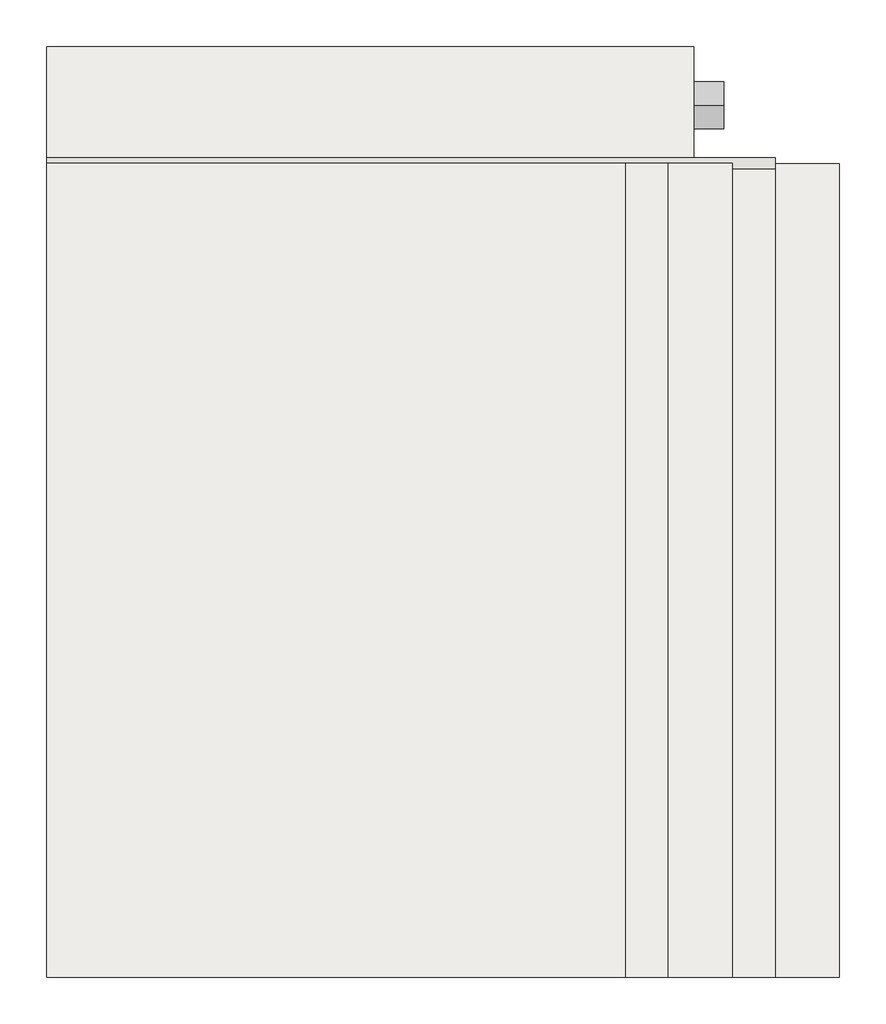
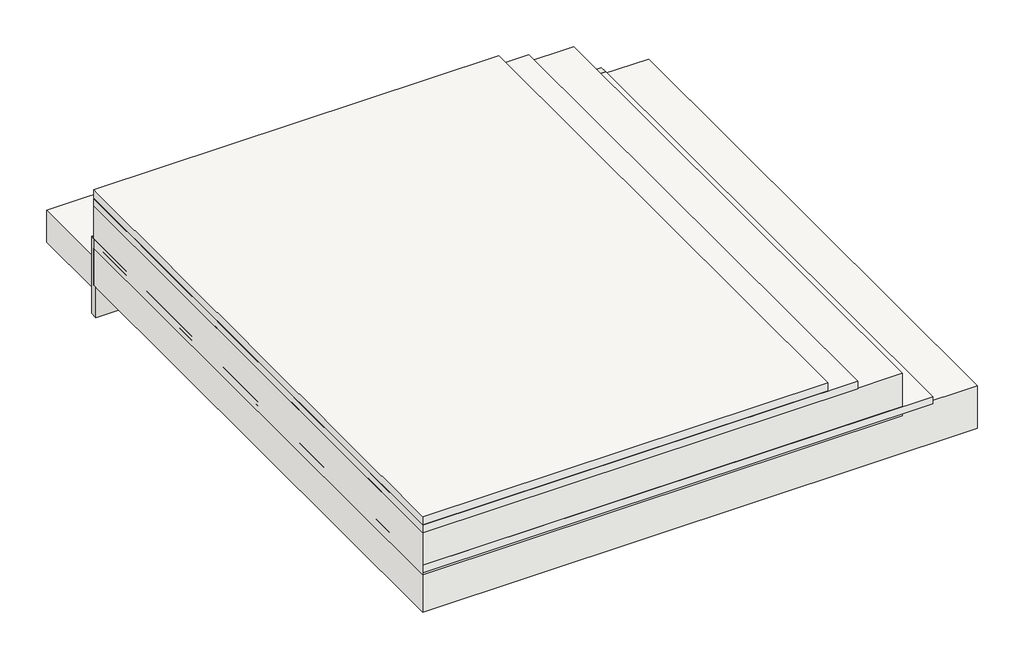
# One storey: 3 coverings, 3 slabs, 1 pipe segment, 1 wall.
"""IFC4 building model written with IfcOpenShell, lengths in millimetres."""

from ifc_helpers import new_model, si_unit, point, frame, frame_2d, origin, place, context, project, spatial, polyline, circle_curve, trimmed, segment, composite_curve, outline, extrude, faceted_brep, element, save

model = new_model("IFC4")

# Units and contexts
model_context = context("Model", 3, world=origin())
ifc_project = project(units=[si_unit("LENGTHUNIT", "METRE", prefix="MILLI")], contexts=[model_context])

# Site, building, storey
site = spatial("IfcSite", under=ifc_project)
building = spatial("IfcBuilding", under=site)
storey = spatial("IfcBuildingStorey", under=building, Elevation=0.0)

# Coverings
placement = place(None, origin())
element("IfcCovering", 1, at=placement, inside=storey, context=model_context, shape_type="SweptSolid", body=[
    extrude(outline(polyline([(-21757.8798684, 2744.7261759), (-18857.8798684, 2744.7261759), (-18857.8798684, -1055.2738241), (-21757.8798684, -1055.2738241), (-21757.8798684, 2744.7261759)])), frame((0.0, 0.0, 361.6801739), z_axis=(0.0, 0.0, 1.0), x_axis=(1.0, 0.0, 0.0)), (0.0, 0.0, 1.0), 52.0),
])
element("IfcCovering", 2, at=placement, inside=storey, context=model_context, shape_type="SweptSolid", body=[
    extrude(outline(polyline([(-21757.8798684, 2744.7261759), (-19057.8798684, 2744.7261759), (-19057.8798684, -1055.2738241), (-21757.8798684, -1055.2738241), (-21757.8798684, 2744.7261759)])), frame((0.0, 0.0, 418.6801739), z_axis=(0.0, 0.0, 1.0), x_axis=(1.0, 0.0, 0.0)), (0.0, 0.0, 1.0), 57.0),
])
element("IfcCovering", 3, at=placement, inside=storey, context=model_context, shape_type="SweptSolid", body=[
    extrude(outline(polyline([(-21757.8798684, 2744.7261759), (-18357.8798684, 2744.7261759), (-18357.8798684, -1055.2738241), (-21757.8798684, -1055.2738241), (-21757.8798684, 2744.7261759)])), frame((0.0, 0.0, 80.0), z_axis=(0.0, 0.0, 1.0), x_axis=(1.0, 0.0, 0.0)), (0.0, 0.0, 1.0), 52.0),
])

# Pipe segment
element("IfcPipeSegment", 4, at=placement, inside=storey, context=model_context, shape_type="SweptSolid", body=[
    extrude(outline(composite_curve([segment(trimmed(circle_curve(frame_2d((3016.2135579, -191.8392659)), 109.5375), [point((3125.7510579, -191.8392659))], [point((3016.2135579, -301.3767659))], False, "CARTESIAN"), True, "CONTINUOUS"), segment(trimmed(circle_curve(frame_2d((3016.2135579, -191.8392659)), 109.5375), [point((3016.2135579, -301.3767659))], [point((2906.6760579, -191.8392659))], False, "CARTESIAN"), True, "CONTINUOUS"), segment(trimmed(circle_curve(frame_2d((3016.2135579, -191.8392659)), 109.5375), [point((2906.6760579, -191.8392659))], [point((3016.2135579, -82.3017659))], False, "CARTESIAN"), True, "CONTINUOUS"), segment(trimmed(circle_curve(frame_2d((3016.2135579, -191.8392659)), 109.5375), [point((3016.2135579, -82.3017659))], [point((3125.7510579, -191.8392659))], False, "CARTESIAN"), True, "CONTINUOUS")], self_intersect=False)), frame((-18916.7646553, 0.0, 0.0), z_axis=(1.0, 0.0, 0.0), x_axis=(0.0, 1.0, 0.0)), (0.0, 0.0, 1.0), 320.0),
])

# Slabs
element("IfcSlab", 5, at=placement, inside=storey, context=model_context, shape_type="Brep", body=[
    faceted_brep([(-21757.8798684, 2743.4294305, -197.7158773), (-18357.8798684, 2743.4294305, -197.7158773), (-18057.8798684, 2743.4294305, -197.7158773), (-18057.8798684, -1053.8351339, -197.7158773), (-21757.8798684, -1053.8351339, -197.7158773), (-21757.8798684, 2719.7261759, -197.7158773), (-21757.8798684, 2743.4294305, 102.2841227), (-21757.8798684, -1053.8351339, 102.2841227), (-18057.8798684, -1053.8351339, 102.2841227), (-18057.8798684, 2743.4294305, 102.2841227), (-18357.8798684, 2743.4294305, 102.2841227), (-18557.8798684, 2743.4294305, 102.2841227), (-21757.8798684, 2743.4294305, 65.0)], [[[0, 1, 2, 3, 4, 5]], [[6, 7, 8, 9, 10, 11]], [[2, 1, 0, 12, 6, 11, 10, 9]], [[3, 2, 9, 8]], [[4, 3, 8, 7]], [[0, 5, 4, 7, 6, 12]]]),
])
element("IfcSlab", 6, at=placement, inside=storey, context=model_context, shape_type="Brep", body=[
    faceted_brep([(-21757.8798684, 2744.7261759, 65.0), (-18557.8798684, 2744.7261759, 65.0), (-18557.8798684, 2743.4294305, 65.0), (-18557.8798684, -1053.8351339, 65.0), (-21757.8798684, -1053.8351339, 65.0), (-21757.8798684, 2743.4294305, 65.0), (-21757.8798684, 2744.7261759, 365.0), (-21757.8798684, -1053.8351339, 365.0), (-18557.8798684, -1053.8351339, 365.0), (-18557.8798684, 2744.7261759, 365.0), (-21757.8798684, 2744.7261759, 132.0), (-18557.8798684, 2744.7261759, 132.0)], [[[0, 1, 2, 3, 4, 5]], [[6, 7, 8, 9]], [[1, 0, 10, 6, 9, 11]], [[3, 2, 1, 11, 9, 8]], [[4, 3, 8, 7]], [[0, 5, 4, 7, 6, 10]]]),
])
element("IfcSlab", 7, at=placement, inside=storey, context=model_context, shape_type="SweptSolid", body=[
    extrude(outline(polyline([(-21757.8798684, 3289.4348686), (-18737.8798684, 3289.4348686), (-18737.8798684, 2769.7261759), (-21757.8798684, 2769.7261759), (-21757.8798684, 3289.4348686)])), frame((0.0, 0.0, -225.0), z_axis=(0.0, 0.0, 1.0), x_axis=(1.0, 0.0, 0.0)), (0.0, 0.0, 1.0), 225.0),
])

# Wall
element("IfcWall", 8, at=placement, inside=storey, context=model_context, shape_type="Brep", body=[
    faceted_brep([(-18357.8798684, 2769.7261759, -411.3091309), (-21757.8798684, 2769.7261759, -411.3091309), (-21757.8798684, 2769.7261759, -395.0), (-21757.8798684, 2769.7261759, -170.0), (-21757.8798684, 2769.7261759, 132.0), (-18357.8798684, 2769.7261759, 132.0), (-21757.8798684, 2719.7261759, -411.3091309), (-18357.8798684, 2719.7261759, -411.3091309), (-18357.8798684, 2719.7261759, -197.7158773), (-21757.8798684, 2719.7261759, -197.7158773), (-18357.8798684, 2719.7261759, 102.2841227), (-18357.8798684, 2719.7261759, 132.0), (-18557.8798684, 2719.7261759, 132.0), (-18557.8798684, 2719.7261759, 102.2841227), (-21757.8798684, 2743.4294305, -197.7158773), (-21757.8798684, 2743.4294305, 65.0), (-21757.8798684, 2744.7261759, 65.0), (-21757.8798684, 2744.7261759, 132.0), (-18557.8798684, 2744.7261759, 132.0), (-18357.8798684, 2743.4294305, 102.2841227), (-18357.8798684, 2743.4294305, -197.7158773), (-18557.8798684, 2743.4294305, 102.2841227), (-18557.8798684, 2743.4294305, 65.0), (-18557.8798684, 2744.7261759, 65.0)], [[[0, 1, 2, 3, 4, 5]], [[6, 7, 8, 9]], [[10, 11, 12, 13]], [[1, 0, 7, 6]], [[4, 3, 2, 1, 6, 9, 14, 15, 16, 17]], [[5, 4, 17, 18, 12, 11]], [[0, 5, 11, 10, 19, 20, 8, 7]], [[20, 14, 9, 8]], [[19, 10, 13, 21]], [[14, 20, 19, 21, 22, 15]], [[23, 16, 15, 22]], [[16, 23, 18, 17]], [[23, 22, 21, 13, 12, 18]]]),
])

save(model, "model.ifc")
